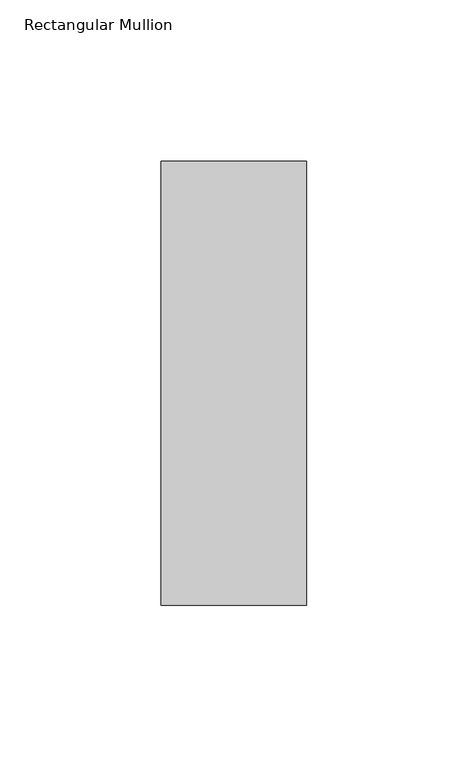
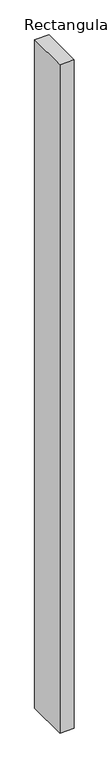
"""IFC4 building model written with IfcOpenShell, lengths in millimetres: member geometry, Rectangular Mullion."""

from ifc_helpers import new_model, si_unit, frame, origin, place, context, project, spatial, polyline, outline, extrude, source, transform, mapped, element, save


def rectangular_mullion_36274eb6(model_context):
    return source(origin(), model_context, "Body", "SweptSolid", [
        extrude(outline(polyline([(0.0, 84.19375), (0.0, -53.19375), (-45.0, -53.19375), (-45.0, 84.19375), (0.0, 84.19375)])), frame((0.0, 0.0, -2223.5642788), z_axis=(0.0, 0.0, 1.0), x_axis=(1.0, 0.0, 0.0)), (0.0, 0.0, 1.0), 2223.5642788),
    ])


if __name__ == "__main__":
    model = new_model("IFC4")
    model_context = context("Model", 3, world=origin())
    ifc_project = project(units=[si_unit("LENGTHUNIT", "METRE", prefix="MILLI")], contexts=[model_context])
    site = spatial("IfcSite", under=ifc_project)
    building = spatial("IfcBuilding", under=site)
    placement = place(None, origin())
    rectangular_mullion_shape = rectangular_mullion_36274eb6(model_context)
    element("IfcMember", 1, ObjectType="Rectangular Mullion", at=placement, inside=building, context=model_context, shape_type="MappedRepresentation", body=[
        mapped(rectangular_mullion_shape, transform((0.0, 0.0, 0.0), x_axis=(1.0, 0.0, 0.0), y_axis=(0.0, 1.0, 0.0), z_axis=(0.0, 0.0, 1.0))),
    ])
    save(model, "model.ifc")
